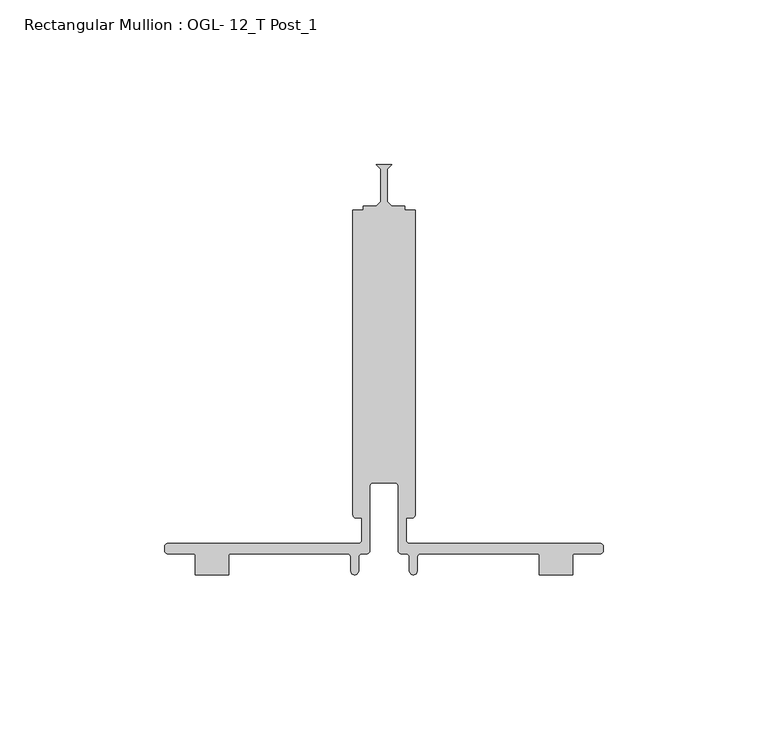
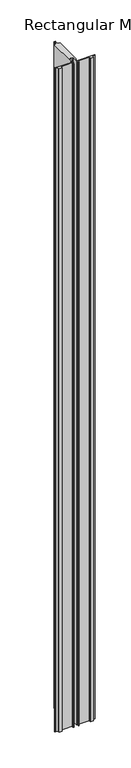
"""IFC4 building model written with IfcOpenShell, lengths in millimetres: member geometry, Rectangular Mullion : OGL- 12_T Post_1."""

import ifcopenshell
import ifcopenshell.guid

model = None  # the IFC model being written
_history = None  # IfcOwnerHistory: only IFC2X3 demands one
_inside = {}  # id of a spatial element -> (the spatial element, [elements in it])
_under = {}  # id of a project, library or spatial element -> (it, [spatial elements below it])
_declared = {}  # id of a project -> (the project, [libraries it declares])
_typed = {}  # id of a type object -> (the type object, [elements of that type])
_made_of = {}  # id of a material, layer set ... -> (it, [elements and type objects made of it])


def new_model(schema):
    """Start an empty IFC model of exactly this schema.

    Asked for "IFC4X3", IfcOpenShell would pick the latest addendum, in which some entities
    have other attributes; the version numbers below select the first issue.
    IFC2X3 requires an IfcOwnerHistory on every rooted entity: one is made here for all.
    """
    global model, _history
    if schema == "IFC4X3":
        model = ifcopenshell.file(schema_version=(4, 3, 0, 0))
    else:
        model = ifcopenshell.file(schema=schema)
    _inside.clear()
    _under.clear()
    _declared.clear()
    _typed.clear()
    _made_of.clear()
    _history = None
    if model.schema == "IFC2X3":
        org = make("IfcOrganization", Name="unknown")
        user = make(
            "IfcPersonAndOrganization",
            ThePerson=make("IfcPerson", FamilyName="unknown"),
            TheOrganization=org,
        )
        app = make(
            "IfcApplication",
            ApplicationDeveloper=org,
            Version="unknown",
            ApplicationFullName="unknown",
            ApplicationIdentifier="unknown",
        )
        _history = make(
            "IfcOwnerHistory",
            OwningUser=user,
            OwningApplication=app,
            ChangeAction="ADDED",
            CreationDate=0,
        )
    return model


def make(cls, **values):
    """One entity of the class cls with the attributes given. An attribute that is None is left unset."""
    return model.create_entity(
        cls, **{name: value for name, value in values.items() if value is not None}
    )


def rooted(cls, **values):
    """An entity with a GlobalId (a new one), such as an element, a storey or a relation."""
    return make(cls, GlobalId=ifcopenshell.guid.new(), OwnerHistory=_history, **values)


def si_unit(unit_type, name, prefix=None):
    """IfcSIUnit, for example si_unit("LENGTHUNIT", "METRE", prefix="MILLI")."""
    return make("IfcSIUnit", UnitType=unit_type, Prefix=prefix, Name=name)


def assignment(units):
    """IfcUnitAssignment: the units of a project."""
    return None if units is None else make("IfcUnitAssignment", Units=units)


def point(xyz):
    """IfcCartesianPoint."""
    return None if xyz is None else make("IfcCartesianPoint", Coordinates=xyz)


def direction(xyz):
    """IfcDirection."""
    return None if xyz is None else make("IfcDirection", DirectionRatios=xyz)


def frame(location, z_axis=None, x_axis=None):
    """IfcAxis2Placement3D, a coordinate frame: its origin and axes. An axis left out is left unset."""
    return make(
        "IfcAxis2Placement3D",
        Location=point(location),
        Axis=direction(z_axis),
        RefDirection=direction(x_axis),
    )


def frame_2d(location, x_axis=None):
    """IfcAxis2Placement2D, a coordinate frame in the plane: its origin and x axis."""
    return make(
        "IfcAxis2Placement2D", Location=point(location), RefDirection=direction(x_axis)
    )


def origin():
    """The frame at (0, 0, 0) with its axes left unset."""
    return frame((0.0, 0.0, 0.0))


def place(relative_to, where):
    """IfcLocalPlacement: puts the frame where relative to a parent placement (None: the world)."""
    return make(
        "IfcLocalPlacement", PlacementRelTo=relative_to, RelativePlacement=where
    )


def context(
    kind, dimensions, precision=None, world=None, true_north=None, identifier=None
):
    """IfcGeometricRepresentationContext, for example the 3D "Model" context."""
    return make(
        "IfcGeometricRepresentationContext",
        ContextIdentifier=identifier,
        ContextType=kind,
        CoordinateSpaceDimension=dimensions,
        Precision=precision,
        WorldCoordinateSystem=world,
        TrueNorth=true_north,
    )


def project(units=None, contexts=None):
    """IfcProject with its units and contexts."""
    return rooted(
        "IfcProject",
        Name="project",
        RepresentationContexts=contexts,
        UnitsInContext=assignment(units),
    )


def spatial(cls, under=None, at=None, **own):
    """A site, building, storey or space (cls), placed at a placement, below another one or the project."""
    s = rooted(cls, ObjectPlacement=at, **own)
    if under is not None:
        _under.setdefault(under.id(), (under, []))[1].append(s)
    return s


def polyline(points):
    """IfcPolyline through the points."""
    return make("IfcPolyline", Points=[point(p) for p in points])


def circle_curve(where, radius):
    """IfcCircle in the frame where."""
    return make("IfcCircle", Position=where, Radius=radius)


def trimmed(basis, trim1, trim2, sense, master):
    """IfcTrimmedCurve: the piece of a basis curve between two trims."""
    return make(
        "IfcTrimmedCurve",
        BasisCurve=basis,
        Trim1=trim1,
        Trim2=trim2,
        SenseAgreement=sense,
        MasterRepresentation=master,
    )


def segment(curve, same_sense, transition):
    """IfcCompositeCurveSegment."""
    return make(
        "IfcCompositeCurveSegment",
        Transition=transition,
        SameSense=same_sense,
        ParentCurve=curve,
    )


def composite_curve(segments, self_intersect=None):
    """IfcCompositeCurve: segments joined end to end."""
    return make("IfcCompositeCurve", Segments=segments, SelfIntersect=self_intersect)


def outline(outer, holes=None, kind="AREA"):
    """IfcArbitraryClosedProfileDef: a profile drawn as a closed curve; with holes, ...WithVoids."""
    if holes is None:
        return make("IfcArbitraryClosedProfileDef", ProfileType=kind, OuterCurve=outer)
    return make(
        "IfcArbitraryProfileDefWithVoids",
        ProfileType=kind,
        OuterCurve=outer,
        InnerCurves=holes,
    )


def extrude(swept, where, along, depth):
    """IfcExtrudedAreaSolid: the profile swept, set in the frame where, extruded along a direction by depth."""
    return make(
        "IfcExtrudedAreaSolid",
        SweptArea=swept,
        Position=where,
        ExtrudedDirection=direction(along),
        Depth=depth,
    )


def shape(context_of_items, identifier, shape_type, items):
    """IfcShapeRepresentation: the items that make up one representation, for example the "Body"."""
    return make(
        "IfcShapeRepresentation",
        ContextOfItems=context_of_items,
        RepresentationIdentifier=identifier,
        RepresentationType=shape_type,
        Items=items,
    )


def source(mapping_origin, context_of_items, identifier, shape_type, items):
    """IfcRepresentationMap: a shape defined once, which mapped items show again and again."""
    return make(
        "IfcRepresentationMap",
        MappingOrigin=mapping_origin,
        MappedRepresentation=shape(context_of_items, identifier, shape_type, items),
    )


def transform(
    local_origin,
    x_axis=None,
    y_axis=None,
    z_axis=None,
    scale=None,
    scale2=None,
    scale3=None,
    uniform=True,
):
    """IfcCartesianTransformationOperator3D, or its non-uniform kind. x_axis, y_axis, z_axis: its Axis1, 2, 3."""
    if uniform:
        return make(
            "IfcCartesianTransformationOperator3D",
            Axis1=direction(x_axis),
            Axis2=direction(y_axis),
            LocalOrigin=point(local_origin),
            Scale=scale,
            Axis3=direction(z_axis),
        )
    return make(
        "IfcCartesianTransformationOperator3DnonUniform",
        Axis1=direction(x_axis),
        Axis2=direction(y_axis),
        LocalOrigin=point(local_origin),
        Scale=scale,
        Axis3=direction(z_axis),
        Scale2=scale2,
        Scale3=scale3,
    )


def mapped(mapping_source, mapping_target):
    """IfcMappedItem: shows the shape of a source again, moved by a transform."""
    return make(
        "IfcMappedItem", MappingSource=mapping_source, MappingTarget=mapping_target
    )


def made_of(thing, what):
    """Note that an element or type object is made of a material, layer set ...; save() writes the relation."""
    if what is not None:
        _made_of.setdefault(what.id(), (what, []))[1].append(thing)
    return thing


def element(
    cls,
    number,
    at=None,
    inside=None,
    cuts=None,
    type_object=None,
    material=None,
    context=None,
    identifier="Body",
    shape_type=None,
    held_by="IfcProductDefinitionShape",
    body=None,
    shapes=None,
    **own,
):
    """One element of the class cls, such as IfcWall. Its Tag is "e" and its number.

    at: its placement. inside: the storey or other place that contains it. cuts: it is an
    opening in that element (IfcRelVoidsElement). A single representation is given by context,
    identifier, shape_type and body (its items); several are given by shapes. held_by: the class
    of the entity that holds the representations. save() writes the other relations.
    """
    e = rooted(cls, Tag="e%d" % number, ObjectPlacement=at, **own)
    if body is not None:
        shapes = [shape(context, identifier, shape_type, body)]
    if shapes is not None:
        e.Representation = make(held_by, Representations=shapes)
    if inside is not None:
        _inside.setdefault(inside.id(), (inside, []))[1].append(e)
    if cuts is not None:
        rooted(
            "IfcRelVoidsElement", RelatingBuildingElement=cuts, RelatedOpeningElement=e
        )
    if type_object is not None:
        _typed.setdefault(type_object.id(), (type_object, []))[1].append(e)
    return made_of(e, material)


def aggregate(whole, parts):
    """IfcRelAggregates: a whole, such as a stair, and the parts it consists of."""
    return rooted("IfcRelAggregates", RelatingObject=whole, RelatedObjects=parts)


def save(model, path):
    """Write the relations noted so far, then the file.

    IfcRelAggregates (storeys below a building ...), IfcRelContainedInSpatialStructure (elements
    in a storey), IfcRelDefinesByType, IfcRelAssociatesMaterial and IfcRelDeclares: one each for
    every whole, place, type object, material and project.
    """
    for whole, parts in _under.values():
        aggregate(whole, parts)
    for where, things in _inside.values():
        rooted(
            "IfcRelContainedInSpatialStructure",
            RelatedElements=things,
            RelatingStructure=where,
        )
    for kind, things in _typed.values():
        rooted("IfcRelDefinesByType", RelatedObjects=things, RelatingType=kind)
    for what, things in _made_of.values():
        rooted("IfcRelAssociatesMaterial", RelatedObjects=things, RelatingMaterial=what)
    for by, libraries in _declared.values():
        rooted("IfcRelDeclares", RelatingContext=by, RelatedDefinitions=libraries)
    model.write(path)


def rectangular_mullion_ogl_12_t_post_1_eed62996(model_context):
    return source(origin(), model_context, "Body", "SweptSolid", [
        extrude(outline(composite_curve([segment(polyline([(-65.672665, -108.868522), (-7.7151426, -108.868522)]), True, "CONTINUOUS"), segment(trimmed(circle_curve(frame_2d((-7.7151426, -107.852522)), 1.016), [point((-7.7151426, -108.868522))], [point((-6.6991426, -107.852522))], True, "CARTESIAN"), True, "CONTINUOUS"), segment(polyline([(-6.6991426, -107.852522), (-6.6991426, -101.1213024), (-8.4584503, -101.1213024)]), True, "CONTINUOUS"), segment(trimmed(circle_curve(frame_2d((-8.4584503, -100.1439298)), 0.9773726), [point((-8.4584503, -101.1213024))], [point((-9.4358229, -100.1439298))], False, "CARTESIAN"), True, "CONTINUOUS"), segment(polyline([(-9.4358229, -100.1439298), (-9.4358229, -7.4941035), (-6.3501658, -7.4941035), (-6.3501658, -6.35), (-2.3814158, -6.35), (-1.0161658, -4.8976064), (-1.0161658, 4.8976064), (-2.3814158, 6.35), (2.3810842, 6.35), (1.0158342, 4.8976064), (1.0158342, -4.8976064), (2.3810842, -6.35), (6.3498342, -6.35), (6.3498342, -7.4941035), (9.4354913, -7.4941035), (9.4354913, -100.1184729)]), True, "CONTINUOUS"), segment(trimmed(circle_curve(frame_2d((8.4584503, -100.1439298)), 0.9773726), [point((9.4354913, -100.1184729))], [point((8.4584503, -101.1213024))], False, "CARTESIAN"), True, "CONTINUOUS"), segment(polyline([(8.4584503, -101.1213024), (6.6991426, -101.1213024), (6.6991426, -107.852522)]), True, "CONTINUOUS"), segment(trimmed(circle_curve(frame_2d((7.7151426, -107.852522)), 1.016), [point((6.6991426, -107.852522))], [point((7.7151426, -108.868522))], True, "CARTESIAN"), True, "CONTINUOUS"), segment(polyline([(7.7151426, -108.868522), (65.672665, -108.868522)]), True, "CONTINUOUS"), segment(trimmed(circle_curve(frame_2d((65.672665, -109.870857)), 1.002335), [point((65.672665, -108.868522))], [point((66.675, -109.870857))], False, "CARTESIAN"), True, "CONTINUOUS"), segment(polyline([(66.675, -109.870857), (66.675, -111.0333998)]), True, "CONTINUOUS"), segment(trimmed(circle_curve(frame_2d((65.6648778, -111.0333998)), 1.0101222), [point((66.675, -111.0333998))], [point((65.6648778, -112.043522))], False, "CARTESIAN"), True, "CONTINUOUS"), segment(polyline([(65.6648778, -112.043522), (57.8154834, -112.043522)]), True, "CONTINUOUS"), segment(trimmed(circle_curve(frame_2d((57.8154834, -112.5844069)), 0.5408849), [point((57.8154834, -112.043522))], [point((57.2745985, -112.5844069))], True, "CARTESIAN"), True, "CONTINUOUS"), segment(polyline([(57.2745985, -112.5844069), (57.2745985, -118.3818074), (47.2119458, -118.3818074), (47.2119458, -112.551522)]), True, "CONTINUOUS"), segment(trimmed(circle_curve(frame_2d((46.7039458, -112.551522)), 0.508), [point((47.2119458, -112.551522))], [point((46.7039458, -112.043522))], True, "CARTESIAN"), True, "CONTINUOUS"), segment(polyline([(46.7039458, -112.043522), (11.1449622, -112.043522)]), True, "CONTINUOUS"), segment(trimmed(circle_curve(frame_2d((11.1449622, -113.059522)), 1.016), [point((11.1449622, -112.043522))], [point((10.1289622, -113.059522))], True, "CARTESIAN"), True, "CONTINUOUS"), segment(polyline([(10.1289622, -113.059522), (10.1289622, -117.190372)]), True, "CONTINUOUS"), segment(trimmed(circle_curve(frame_2d((8.9220524, -117.190372)), 1.2069098), [point((10.1289622, -117.190372))], [point((7.7151426, -117.190372))], False, "CARTESIAN"), True, "CONTINUOUS"), segment(polyline([(7.7151426, -117.190372), (7.7151426, -113.059522)]), True, "CONTINUOUS"), segment(trimmed(circle_curve(frame_2d((6.6991426, -113.059522)), 1.016), [point((7.7151426, -113.059522))], [point((6.6991426, -112.043522))], True, "CARTESIAN"), True, "CONTINUOUS"), segment(polyline([(6.6991426, -112.043522), (5.301323, -112.043522)]), True, "CONTINUOUS"), segment(trimmed(circle_curve(frame_2d((5.301323, -111.027522)), 1.016), [point((5.301323, -112.043522))], [point((4.285323, -111.027522))], False, "CARTESIAN"), True, "CONTINUOUS"), segment(polyline([(4.285323, -111.027522), (4.285323, -91.4497484)]), True, "CONTINUOUS"), segment(trimmed(circle_curve(frame_2d((3.269323, -91.4497484)), 1.016), [point((4.285323, -91.4497484))], [point((3.269323, -90.4337484))], True, "CARTESIAN"), True, "CONTINUOUS"), segment(polyline([(3.269323, -90.4337484), (-3.269323, -90.4337484)]), True, "CONTINUOUS"), segment(trimmed(circle_curve(frame_2d((-3.269323, -91.4497484)), 1.016), [point((-3.269323, -90.4337484))], [point((-4.285323, -91.4497484))], True, "CARTESIAN"), True, "CONTINUOUS"), segment(polyline([(-4.285323, -91.4497484), (-4.285323, -111.027522)]), True, "CONTINUOUS"), segment(trimmed(circle_curve(frame_2d((-5.301323, -111.027522)), 1.016), [point((-4.285323, -111.027522))], [point((-5.301323, -112.043522))], False, "CARTESIAN"), True, "CONTINUOUS"), segment(polyline([(-5.301323, -112.043522), (-6.6991426, -112.043522)]), True, "CONTINUOUS"), segment(trimmed(circle_curve(frame_2d((-6.6991426, -113.059522)), 1.016), [point((-6.6991426, -112.043522))], [point((-7.7151426, -113.059522))], True, "CARTESIAN"), True, "CONTINUOUS"), segment(polyline([(-7.7151426, -113.059522), (-7.7151426, -117.190372)]), True, "CONTINUOUS"), segment(trimmed(circle_curve(frame_2d((-8.9220524, -117.190372)), 1.2069098), [point((-7.7151426, -117.190372))], [point((-10.1289622, -117.190372))], False, "CARTESIAN"), True, "CONTINUOUS"), segment(polyline([(-10.1289622, -117.190372), (-10.1289622, -113.059522)]), True, "CONTINUOUS"), segment(trimmed(circle_curve(frame_2d((-11.1449622, -113.059522)), 1.016), [point((-10.1289622, -113.059522))], [point((-11.1449622, -112.043522))], True, "CARTESIAN"), True, "CONTINUOUS"), segment(polyline([(-11.1449622, -112.043522), (-46.7039458, -112.043522)]), True, "CONTINUOUS"), segment(trimmed(circle_curve(frame_2d((-46.7039458, -112.551522)), 0.508), [point((-46.7039458, -112.043522))], [point((-47.2119458, -112.551522))], True, "CARTESIAN"), True, "CONTINUOUS"), segment(polyline([(-47.2119458, -112.551522), (-47.2119458, -118.3816416), (-57.2745985, -118.3816416), (-57.2745985, -112.5844069)]), True, "CONTINUOUS"), segment(trimmed(circle_curve(frame_2d((-57.8154834, -112.5844069)), 0.5408849), [point((-57.2745985, -112.5844069))], [point((-57.8154834, -112.043522))], True, "CARTESIAN"), True, "CONTINUOUS"), segment(polyline([(-57.8154834, -112.043522), (-65.6648778, -112.043522)]), True, "CONTINUOUS"), segment(trimmed(circle_curve(frame_2d((-65.6648778, -111.0333998)), 1.0101222), [point((-65.6648778, -112.043522))], [point((-66.675, -111.0333998))], False, "CARTESIAN"), True, "CONTINUOUS"), segment(polyline([(-66.675, -111.0333998), (-66.675, -109.870857)]), True, "CONTINUOUS"), segment(trimmed(circle_curve(frame_2d((-65.672665, -109.870857)), 1.002335), [point((-66.675, -109.870857))], [point((-65.672665, -108.868522))], False, "CARTESIAN"), True, "CONTINUOUS")], self_intersect=False)), frame((0.0, 0.0, -2339.4622278), z_axis=(0.0, 0.0, 1.0), x_axis=(1.0, 0.0, 0.0)), (0.0, 0.0, 1.0), 2339.4622278),
    ])


if __name__ == "__main__":
    model = new_model("IFC4")
    model_context = context("Model", 3, world=origin())
    ifc_project = project(units=[si_unit("LENGTHUNIT", "METRE", prefix="MILLI")], contexts=[model_context])
    site = spatial("IfcSite", under=ifc_project)
    building = spatial("IfcBuilding", under=site)
    placement = place(None, origin())
    rectangular_mullion_ogl_12_t_post_1_shape = rectangular_mullion_ogl_12_t_post_1_eed62996(model_context)
    element("IfcMember", 1, ObjectType="Rectangular Mullion : OGL- 12_T Post_1", at=placement, inside=building, context=model_context, shape_type="MappedRepresentation", body=[
        mapped(rectangular_mullion_ogl_12_t_post_1_shape, transform((0.0, 0.0, 0.0), x_axis=(1.0, 0.0, 0.0), y_axis=(0.0, 1.0, 0.0), z_axis=(0.0, 0.0, 1.0))),
    ])
    save(model, "model.ifc")
